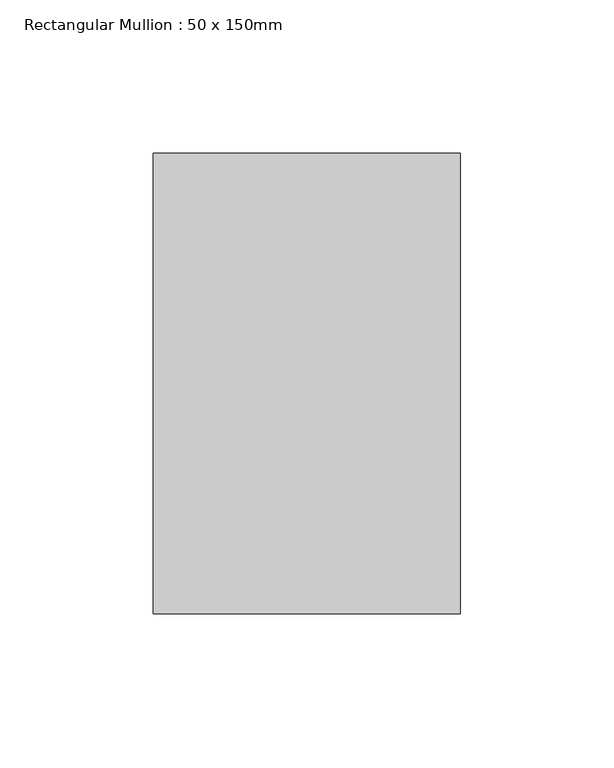
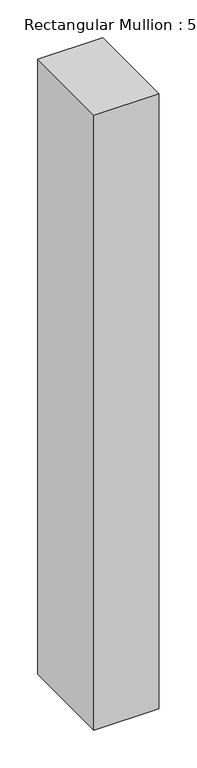
"""IFC4 building model written with IfcOpenShell, lengths in millimetres: member geometry, Rectangular Mullion : 50 x 150mm."""

from ifc_helpers import new_model, si_unit, frame, origin, place, context, project, spatial, polyline, outline, extrude, source, transform, mapped, element, save


def rectangular_mullion_50_x_150mm_f2c927ad(model_context):
    return source(origin(), model_context, "Body", "SweptSolid", [
        extrude(outline(polyline([(0.0, 75.0), (0.0, -75.0), (-100.0, -75.0), (-100.0, 75.0), (0.0, 75.0)])), frame((0.0, 0.0, -1000.0), z_axis=(0.0, 0.0, 1.0), x_axis=(1.0, 0.0, 0.0)), (0.0, 0.0, 1.0), 1000.0),
    ])


if __name__ == "__main__":
    model = new_model("IFC4")
    model_context = context("Model", 3, world=origin())
    ifc_project = project(units=[si_unit("LENGTHUNIT", "METRE", prefix="MILLI")], contexts=[model_context])
    site = spatial("IfcSite", under=ifc_project)
    building = spatial("IfcBuilding", under=site)
    placement = place(None, origin())
    rectangular_mullion_50_x_150mm_shape = rectangular_mullion_50_x_150mm_f2c927ad(model_context)
    element("IfcMember", 1, ObjectType="Rectangular Mullion : 50 x 150mm", at=placement, inside=building, context=model_context, shape_type="MappedRepresentation", body=[
        mapped(rectangular_mullion_50_x_150mm_shape, transform((0.0, 0.0, 0.0), x_axis=(1.0, 0.0, 0.0), y_axis=(0.0, 1.0, 0.0), z_axis=(0.0, 0.0, 1.0))),
    ])
    save(model, "model.ifc")
